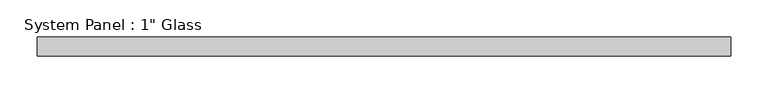
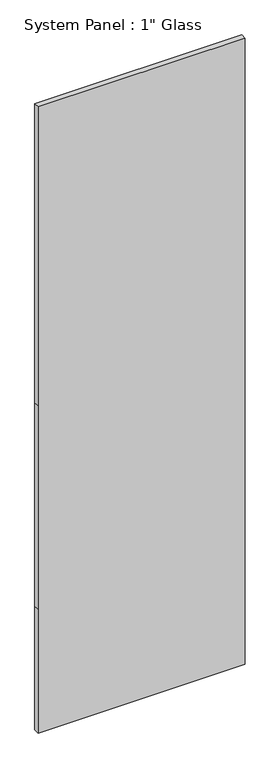
"""IFC4 building model written with IfcOpenShell, lengths in millimetres: plate geometry."""

from ifc_helpers import new_model, si_unit, frame, origin, place, context, project, spatial, polyline, outline, extrude, source, transform, mapped, element, save


def plate_1698ebde(model_context):
    return source(origin(), model_context, "Body", "SweptSolid", [
        extrude(outline(polyline([(0.0, -463.1158815), (0.0, 463.1158815), (584.2, 463.1158815), (1546.225, 463.1158815), (2959.1, 463.1158815), (2959.1, -463.1158815), (1546.225, -463.1158815), (584.2, -463.1158815), (0.0, -463.1158815)])), frame((0.0, -12.7, 0.0), z_axis=(0.0, 1.0, 0.0), x_axis=(0.0, 0.0, 1.0)), (0.0, 0.0, 1.0), 25.4),
    ])


if __name__ == "__main__":
    model = new_model("IFC4")
    model_context = context("Model", 3, world=origin())
    ifc_project = project(units=[si_unit("LENGTHUNIT", "METRE", prefix="MILLI")], contexts=[model_context])
    site = spatial("IfcSite", under=ifc_project)
    building = spatial("IfcBuilding", under=site)
    placement = place(None, origin())
    plate_shape = plate_1698ebde(model_context)
    element("IfcPlate", 1, ObjectType="System Panel : 1\" Glass", at=placement, inside=building, context=model_context, shape_type="MappedRepresentation", body=[
        mapped(plate_shape, transform((0.0, 0.0, 0.0), x_axis=(1.0, 0.0, 0.0), y_axis=(0.0, 1.0, 0.0), z_axis=(0.0, 0.0, 1.0))),
    ])
    save(model, "model.ifc")
